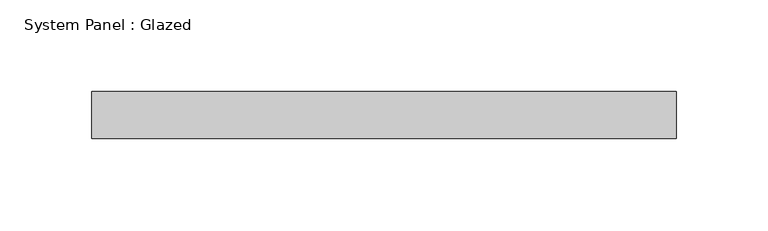
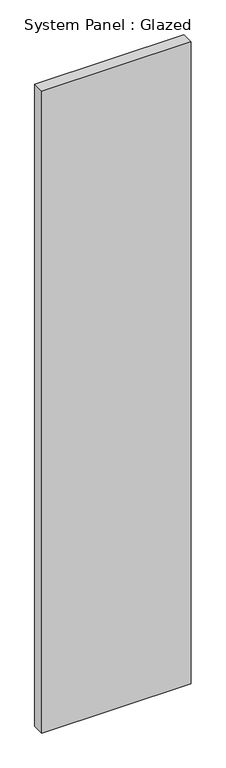
"""IFC4 building model written with IfcOpenShell, lengths in millimetres: plate geometry, System Panel : Glazed."""

from ifc_helpers import new_model, si_unit, origin, origin_with_axes, place, context, project, spatial, polyline, outline, extrude, source, transform, mapped, element, save


def system_panel_glazed_01f8c469(model_context):
    return source(origin(), model_context, "Body", "SweptSolid", [
        extrude(outline(polyline([(158.75, 0.0), (-158.75, 0.0), (-158.75, 25.4), (158.75, 25.4), (158.75, 0.0)])), origin_with_axes(), (0.0, 0.0, 1.0), 1441.45),
    ])


if __name__ == "__main__":
    model = new_model("IFC4")
    model_context = context("Model", 3, world=origin())
    ifc_project = project(units=[si_unit("LENGTHUNIT", "METRE", prefix="MILLI")], contexts=[model_context])
    site = spatial("IfcSite", under=ifc_project)
    building = spatial("IfcBuilding", under=site)
    placement = place(None, origin())
    system_panel_glazed_shape = system_panel_glazed_01f8c469(model_context)
    element("IfcPlate", 1, ObjectType="System Panel : Glazed", at=placement, inside=building, context=model_context, shape_type="MappedRepresentation", body=[
        mapped(system_panel_glazed_shape, transform((0.0, 0.0, 0.0), x_axis=(1.0, 0.0, 0.0), y_axis=(0.0, 1.0, 0.0), z_axis=(0.0, 0.0, 1.0))),
    ])
    save(model, "model.ifc")
